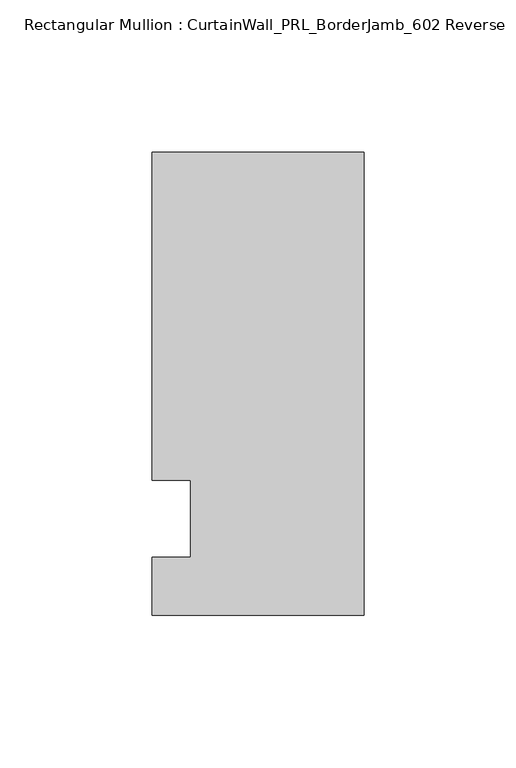
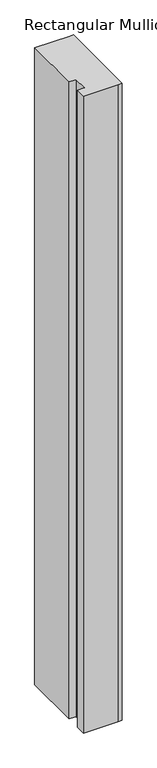
"""IFC4 building model written with IfcOpenShell, lengths in millimetres: member geometry, Rectangular Mullion : CurtainWall_PRL_BorderJamb_602 Reverse."""

from ifc_helpers import new_model, si_unit, frame, origin, place, context, project, spatial, polyline, outline, extrude, source, transform, mapped, element, save


def rectangular_mullion_curtainwall_prl_borderjamb_602_reverse_1efc7b2e(model_context):
    return source(origin(), model_context, "Body", "SweptSolid", [
        extrude(outline(polyline([(-57.15, 12.7), (-69.85, 12.7), (-69.85, 120.65), (-6.35, 120.65), (0.0, 120.65), (0.0, -31.75), (-7.3958824, -31.75), (-69.85, -31.75), (-69.85, -12.7), (-57.15, -12.7), (-57.15, 12.7)])), frame((0.0, 0.0, -1217.130757), z_axis=(0.0, 0.0, 1.0), x_axis=(1.0, 0.0, 0.0)), (0.0, 0.0, 1.0), 1217.130757),
    ])


if __name__ == "__main__":
    model = new_model("IFC4")
    model_context = context("Model", 3, world=origin())
    ifc_project = project(units=[si_unit("LENGTHUNIT", "METRE", prefix="MILLI")], contexts=[model_context])
    site = spatial("IfcSite", under=ifc_project)
    building = spatial("IfcBuilding", under=site)
    placement = place(None, origin())
    rectangular_mullion_curtainwall_prl_borderjamb_602_reverse_shape = rectangular_mullion_curtainwall_prl_borderjamb_602_reverse_1efc7b2e(model_context)
    element("IfcMember", 1, ObjectType="Rectangular Mullion : CurtainWall_PRL_BorderJamb_602 Reverse", at=placement, inside=building, context=model_context, shape_type="MappedRepresentation", body=[
        mapped(rectangular_mullion_curtainwall_prl_borderjamb_602_reverse_shape, transform((0.0, 0.0, 0.0), x_axis=(1.0, 0.0, 0.0), y_axis=(0.0, 1.0, 0.0), z_axis=(0.0, 0.0, 1.0))),
    ])
    save(model, "model.ifc")
